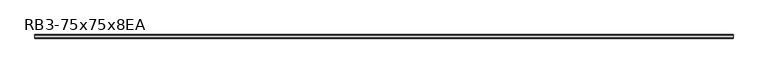
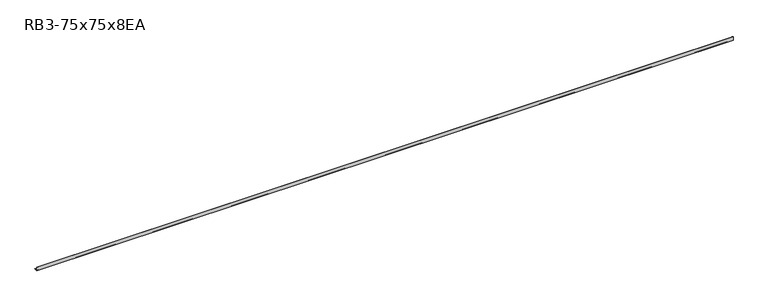
"""IFC4 building model written with IfcOpenShell, lengths in millimetres: member geometry, RB3-75x75x8EA."""

import ifcopenshell
import ifcopenshell.guid

model = None  # the IFC model being written
_history = None  # IfcOwnerHistory: only IFC2X3 demands one
_inside = {}  # id of a spatial element -> (the spatial element, [elements in it])
_under = {}  # id of a project, library or spatial element -> (it, [spatial elements below it])
_declared = {}  # id of a project -> (the project, [libraries it declares])
_typed = {}  # id of a type object -> (the type object, [elements of that type])
_made_of = {}  # id of a material, layer set ... -> (it, [elements and type objects made of it])


def new_model(schema):
    """Start an empty IFC model of exactly this schema.

    Asked for "IFC4X3", IfcOpenShell would pick the latest addendum, in which some entities
    have other attributes; the version numbers below select the first issue.
    IFC2X3 requires an IfcOwnerHistory on every rooted entity: one is made here for all.
    """
    global model, _history
    if schema == "IFC4X3":
        model = ifcopenshell.file(schema_version=(4, 3, 0, 0))
    else:
        model = ifcopenshell.file(schema=schema)
    _inside.clear()
    _under.clear()
    _declared.clear()
    _typed.clear()
    _made_of.clear()
    _history = None
    if model.schema == "IFC2X3":
        org = make("IfcOrganization", Name="unknown")
        user = make(
            "IfcPersonAndOrganization",
            ThePerson=make("IfcPerson", FamilyName="unknown"),
            TheOrganization=org,
        )
        app = make(
            "IfcApplication",
            ApplicationDeveloper=org,
            Version="unknown",
            ApplicationFullName="unknown",
            ApplicationIdentifier="unknown",
        )
        _history = make(
            "IfcOwnerHistory",
            OwningUser=user,
            OwningApplication=app,
            ChangeAction="ADDED",
            CreationDate=0,
        )
    return model


def make(cls, **values):
    """One entity of the class cls with the attributes given. An attribute that is None is left unset."""
    return model.create_entity(
        cls, **{name: value for name, value in values.items() if value is not None}
    )


def rooted(cls, **values):
    """An entity with a GlobalId (a new one), such as an element, a storey or a relation."""
    return make(cls, GlobalId=ifcopenshell.guid.new(), OwnerHistory=_history, **values)


def si_unit(unit_type, name, prefix=None):
    """IfcSIUnit, for example si_unit("LENGTHUNIT", "METRE", prefix="MILLI")."""
    return make("IfcSIUnit", UnitType=unit_type, Prefix=prefix, Name=name)


def assignment(units):
    """IfcUnitAssignment: the units of a project."""
    return None if units is None else make("IfcUnitAssignment", Units=units)


def point(xyz):
    """IfcCartesianPoint."""
    return None if xyz is None else make("IfcCartesianPoint", Coordinates=xyz)


def direction(xyz):
    """IfcDirection."""
    return None if xyz is None else make("IfcDirection", DirectionRatios=xyz)


def frame(location, z_axis=None, x_axis=None):
    """IfcAxis2Placement3D, a coordinate frame: its origin and axes. An axis left out is left unset."""
    return make(
        "IfcAxis2Placement3D",
        Location=point(location),
        Axis=direction(z_axis),
        RefDirection=direction(x_axis),
    )


def frame_2d(location, x_axis=None):
    """IfcAxis2Placement2D, a coordinate frame in the plane: its origin and x axis."""
    return make(
        "IfcAxis2Placement2D", Location=point(location), RefDirection=direction(x_axis)
    )


def origin():
    """The frame at (0, 0, 0) with its axes left unset."""
    return frame((0.0, 0.0, 0.0))


def place(relative_to, where):
    """IfcLocalPlacement: puts the frame where relative to a parent placement (None: the world)."""
    return make(
        "IfcLocalPlacement", PlacementRelTo=relative_to, RelativePlacement=where
    )


def context(
    kind, dimensions, precision=None, world=None, true_north=None, identifier=None
):
    """IfcGeometricRepresentationContext, for example the 3D "Model" context."""
    return make(
        "IfcGeometricRepresentationContext",
        ContextIdentifier=identifier,
        ContextType=kind,
        CoordinateSpaceDimension=dimensions,
        Precision=precision,
        WorldCoordinateSystem=world,
        TrueNorth=true_north,
    )


def project(units=None, contexts=None):
    """IfcProject with its units and contexts."""
    return rooted(
        "IfcProject",
        Name="project",
        RepresentationContexts=contexts,
        UnitsInContext=assignment(units),
    )


def spatial(cls, under=None, at=None, **own):
    """A site, building, storey or space (cls), placed at a placement, below another one or the project."""
    s = rooted(cls, ObjectPlacement=at, **own)
    if under is not None:
        _under.setdefault(under.id(), (under, []))[1].append(s)
    return s


def polyline(points):
    """IfcPolyline through the points."""
    return make("IfcPolyline", Points=[point(p) for p in points])


def circle_curve(where, radius):
    """IfcCircle in the frame where."""
    return make("IfcCircle", Position=where, Radius=radius)


def trimmed(basis, trim1, trim2, sense, master):
    """IfcTrimmedCurve: the piece of a basis curve between two trims."""
    return make(
        "IfcTrimmedCurve",
        BasisCurve=basis,
        Trim1=trim1,
        Trim2=trim2,
        SenseAgreement=sense,
        MasterRepresentation=master,
    )


def segment(curve, same_sense, transition):
    """IfcCompositeCurveSegment."""
    return make(
        "IfcCompositeCurveSegment",
        Transition=transition,
        SameSense=same_sense,
        ParentCurve=curve,
    )


def composite_curve(segments, self_intersect=None):
    """IfcCompositeCurve: segments joined end to end."""
    return make("IfcCompositeCurve", Segments=segments, SelfIntersect=self_intersect)


def outline(outer, holes=None, kind="AREA"):
    """IfcArbitraryClosedProfileDef: a profile drawn as a closed curve; with holes, ...WithVoids."""
    if holes is None:
        return make("IfcArbitraryClosedProfileDef", ProfileType=kind, OuterCurve=outer)
    return make(
        "IfcArbitraryProfileDefWithVoids",
        ProfileType=kind,
        OuterCurve=outer,
        InnerCurves=holes,
    )


def extrude(swept, where, along, depth):
    """IfcExtrudedAreaSolid: the profile swept, set in the frame where, extruded along a direction by depth."""
    return make(
        "IfcExtrudedAreaSolid",
        SweptArea=swept,
        Position=where,
        ExtrudedDirection=direction(along),
        Depth=depth,
    )


def shape(context_of_items, identifier, shape_type, items):
    """IfcShapeRepresentation: the items that make up one representation, for example the "Body"."""
    return make(
        "IfcShapeRepresentation",
        ContextOfItems=context_of_items,
        RepresentationIdentifier=identifier,
        RepresentationType=shape_type,
        Items=items,
    )


def source(mapping_origin, context_of_items, identifier, shape_type, items):
    """IfcRepresentationMap: a shape defined once, which mapped items show again and again."""
    return make(
        "IfcRepresentationMap",
        MappingOrigin=mapping_origin,
        MappedRepresentation=shape(context_of_items, identifier, shape_type, items),
    )


def transform(
    local_origin,
    x_axis=None,
    y_axis=None,
    z_axis=None,
    scale=None,
    scale2=None,
    scale3=None,
    uniform=True,
):
    """IfcCartesianTransformationOperator3D, or its non-uniform kind. x_axis, y_axis, z_axis: its Axis1, 2, 3."""
    if uniform:
        return make(
            "IfcCartesianTransformationOperator3D",
            Axis1=direction(x_axis),
            Axis2=direction(y_axis),
            LocalOrigin=point(local_origin),
            Scale=scale,
            Axis3=direction(z_axis),
        )
    return make(
        "IfcCartesianTransformationOperator3DnonUniform",
        Axis1=direction(x_axis),
        Axis2=direction(y_axis),
        LocalOrigin=point(local_origin),
        Scale=scale,
        Axis3=direction(z_axis),
        Scale2=scale2,
        Scale3=scale3,
    )


def mapped(mapping_source, mapping_target):
    """IfcMappedItem: shows the shape of a source again, moved by a transform."""
    return make(
        "IfcMappedItem", MappingSource=mapping_source, MappingTarget=mapping_target
    )


def made_of(thing, what):
    """Note that an element or type object is made of a material, layer set ...; save() writes the relation."""
    if what is not None:
        _made_of.setdefault(what.id(), (what, []))[1].append(thing)
    return thing


def element(
    cls,
    number,
    at=None,
    inside=None,
    cuts=None,
    type_object=None,
    material=None,
    context=None,
    identifier="Body",
    shape_type=None,
    held_by="IfcProductDefinitionShape",
    body=None,
    shapes=None,
    **own,
):
    """One element of the class cls, such as IfcWall. Its Tag is "e" and its number.

    at: its placement. inside: the storey or other place that contains it. cuts: it is an
    opening in that element (IfcRelVoidsElement). A single representation is given by context,
    identifier, shape_type and body (its items); several are given by shapes. held_by: the class
    of the entity that holds the representations. save() writes the other relations.
    """
    e = rooted(cls, Tag="e%d" % number, ObjectPlacement=at, **own)
    if body is not None:
        shapes = [shape(context, identifier, shape_type, body)]
    if shapes is not None:
        e.Representation = make(held_by, Representations=shapes)
    if inside is not None:
        _inside.setdefault(inside.id(), (inside, []))[1].append(e)
    if cuts is not None:
        rooted(
            "IfcRelVoidsElement", RelatingBuildingElement=cuts, RelatedOpeningElement=e
        )
    if type_object is not None:
        _typed.setdefault(type_object.id(), (type_object, []))[1].append(e)
    return made_of(e, material)


def aggregate(whole, parts):
    """IfcRelAggregates: a whole, such as a stair, and the parts it consists of."""
    return rooted("IfcRelAggregates", RelatingObject=whole, RelatedObjects=parts)


def save(model, path):
    """Write the relations noted so far, then the file.

    IfcRelAggregates (storeys below a building ...), IfcRelContainedInSpatialStructure (elements
    in a storey), IfcRelDefinesByType, IfcRelAssociatesMaterial and IfcRelDeclares: one each for
    every whole, place, type object, material and project.
    """
    for whole, parts in _under.values():
        aggregate(whole, parts)
    for where, things in _inside.values():
        rooted(
            "IfcRelContainedInSpatialStructure",
            RelatedElements=things,
            RelatingStructure=where,
        )
    for kind, things in _typed.values():
        rooted("IfcRelDefinesByType", RelatedObjects=things, RelatingType=kind)
    for what, things in _made_of.values():
        rooted("IfcRelAssociatesMaterial", RelatedObjects=things, RelatingMaterial=what)
    for by, libraries in _declared.values():
        rooted("IfcRelDeclares", RelatingContext=by, RelatedDefinitions=libraries)
    model.write(path)


def rb3_75x75x8ea_dcd06d99(model_context):
    return source(origin(), model_context, "Body", "SweptSolid", [
        extrude(outline(composite_curve([segment(polyline([(-21.3, -21.3), (-21.3, 53.7), (-18.3, 53.7)]), True, "CONTINUOUS"), segment(trimmed(circle_curve(frame_2d((-18.3, 48.7)), 5.0), [point((-18.3, 53.7))], [point((-13.3, 48.7))], False, "CARTESIAN"), True, "CONTINUOUS"), segment(polyline([(-13.3, 48.7), (-13.3, -5.3)]), True, "CONTINUOUS"), segment(trimmed(circle_curve(frame_2d((-5.3, -5.3)), 8.0), [point((-13.3, -5.3))], [point((-5.3, -13.3))], True, "CARTESIAN"), True, "CONTINUOUS"), segment(polyline([(-5.3, -13.3), (48.7, -13.3)]), True, "CONTINUOUS"), segment(trimmed(circle_curve(frame_2d((48.7, -18.3)), 5.0), [point((48.7, -13.3))], [point((53.7, -18.3))], False, "CARTESIAN"), True, "CONTINUOUS"), segment(polyline([(53.7, -18.3), (53.7, -21.3), (-21.3, -21.3)]), True, "CONTINUOUS")], self_intersect=False)), frame((-7188.0, 0.0, 0.0), z_axis=(1.0, 0.0, 0.0), x_axis=(0.0, 1.0, 0.0)), (0.0, 0.0, 1.0), 14570.0),
    ])


if __name__ == "__main__":
    model = new_model("IFC4")
    model_context = context("Model", 3, world=origin())
    ifc_project = project(units=[si_unit("LENGTHUNIT", "METRE", prefix="MILLI")], contexts=[model_context])
    site = spatial("IfcSite", under=ifc_project)
    building = spatial("IfcBuilding", under=site)
    placement = place(None, origin())
    rb3_75x75x8ea_shape = rb3_75x75x8ea_dcd06d99(model_context)
    element("IfcMember", 1, ObjectType="RB3-75x75x8EA", at=placement, inside=building, context=model_context, shape_type="MappedRepresentation", body=[
        mapped(rb3_75x75x8ea_shape, transform((0.0, 0.0, 0.0), x_axis=(1.0, 0.0, 0.0), y_axis=(0.0, 1.0, 0.0), z_axis=(0.0, 0.0, 1.0))),
    ])
    save(model, "model.ifc")
